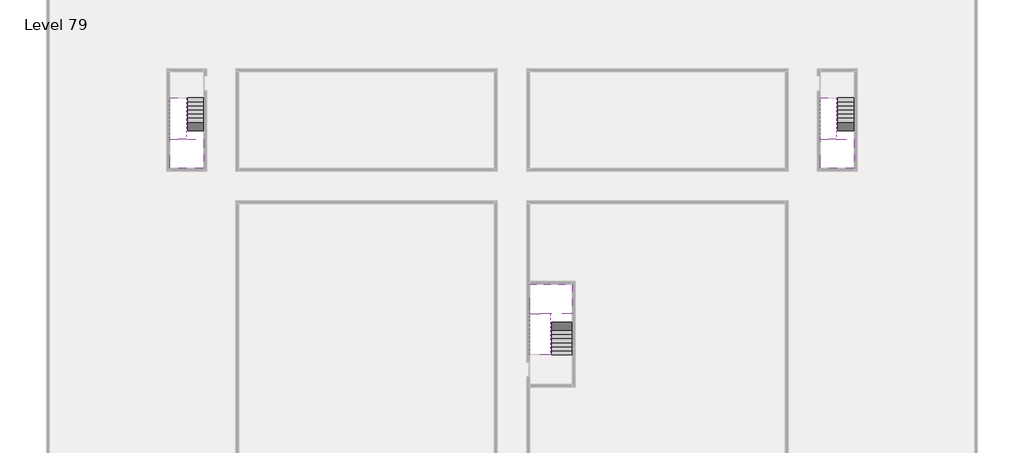
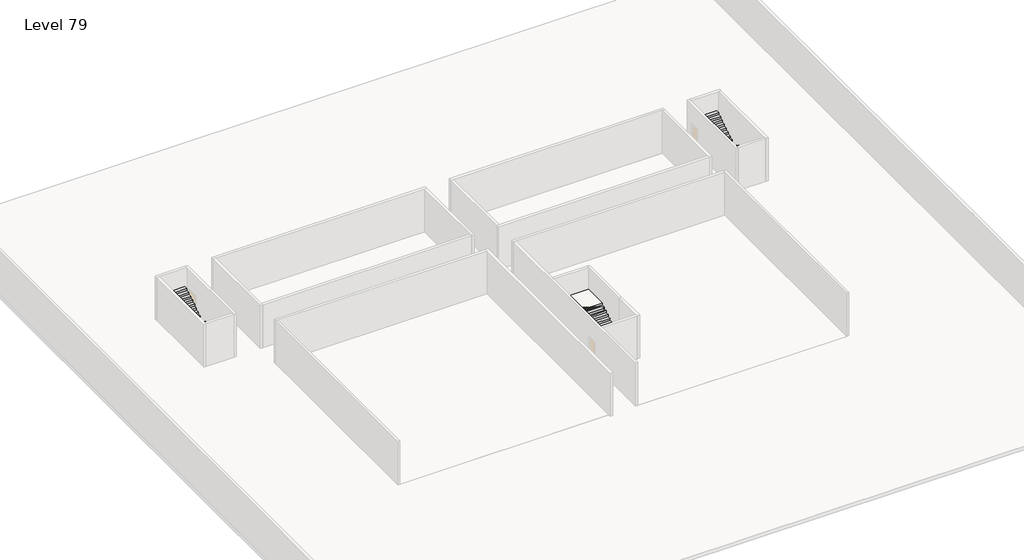
# One storey, part 2 of 2: 6 stair flights, 3 slabs.
"""IFC4 building model written with IfcOpenShell, lengths in millimetres."""

from ifc_helpers import new_model, si_unit, origin, place, context, project, spatial, faceted_brep, element, save

model = new_model("IFC4")

# Units and contexts
model_context = context("Model", 3, world=origin())
ifc_project = project(units=[si_unit("LENGTHUNIT", "METRE", prefix="MILLI")], contexts=[model_context])

# Site, building, storey
site = spatial("IfcSite", under=ifc_project)
building = spatial("IfcBuilding", under=site)
storey = spatial("IfcBuildingStorey", under=building, Name="Level 79", Elevation=296400.0)

# Slabs
placement = place(None, origin())
element("IfcSlab", 1, at=placement, inside=storey, context=model_context, shape_type="Brep", body=[
    faceted_brep([(3190.1058784, -28518.09644, 298300.0), (2090.1058784, -28518.09644, 298300.0), (1990.1058784, -28518.09644, 298300.0), (890.1058784, -28518.09644, 298300.0), (890.1058784, -28718.7100038, 298300.0), (890.1058784, -30518.09644, 298300.0), (3190.1058784, -30518.09644, 298300.0), (3190.1058784, -28597.4828763, 298300.0), (3190.1058784, -28518.09644, 298127.2727273), (3190.1058784, -28518.09644, 297951.0278478), (2090.1058784, -28518.09644, 297951.0278478), (2090.1058784, -28518.09644, 298000.0), (1990.1058784, -28518.09644, 298000.0), (1990.1058784, -28518.09644, 298123.7551205), (890.1058784, -28518.09644, 298123.7551205), (890.1058784, -28718.7100038, 298000.0), (890.1058784, -30518.09644, 298000.0), (3190.1058784, -30518.09644, 298000.0), (3190.1058784, -28597.4828763, 298000.0), (1990.1058784, -28718.7100038, 298000.0), (2090.1058784, -28597.4828763, 298000.0)], [[[0, 1, 2, 3, 4, 5, 6, 7]], [[1, 0, 8, 9, 10, 11]], [[2, 1, 11, 12, 13]], [[3, 2, 13, 14]], [[3, 14, 15, 16, 5, 4]], [[6, 5, 16, 17]], [[9, 8, 0, 7, 6, 17, 18]], [[19, 12, 11, 20, 18, 17, 16, 15]], [[12, 19, 13]], [[18, 20, 10, 9]], [[20, 11, 10]], [[19, 15, 14, 13]]]),
])
element("IfcSlab", 2, at=placement, inside=storey, context=model_context, shape_type="Brep", body=[
    faceted_brep([(47490.1058784, -28518.09644, 298300.0), (46390.1058784, -28518.09644, 298300.0), (46290.1058784, -28518.09644, 298300.0), (45190.1058784, -28518.09644, 298300.0), (45190.1058784, -28718.7100038, 298300.0), (45190.1058784, -30518.09644, 298300.0), (47490.1058784, -30518.09644, 298300.0), (47490.1058784, -28597.4828763, 298300.0), (47490.1058784, -28518.09644, 298127.2727273), (47490.1058784, -28518.09644, 297951.0278478), (46390.1058784, -28518.09644, 297951.0278478), (46390.1058784, -28518.09644, 298000.0), (46290.1058784, -28518.09644, 298000.0), (46290.1058784, -28518.09644, 298123.7551205), (45190.1058784, -28518.09644, 298123.7551205), (45190.1058784, -28718.7100038, 298000.0), (45190.1058784, -30518.09644, 298000.0), (47490.1058784, -30518.09644, 298000.0), (47490.1058784, -28597.4828763, 298000.0), (46290.1058784, -28718.7100038, 298000.0), (46390.1058784, -28597.4828763, 298000.0)], [[[0, 1, 2, 3, 4, 5, 6, 7]], [[1, 0, 8, 9, 10, 11]], [[2, 1, 11, 12, 13]], [[3, 2, 13, 14]], [[3, 14, 15, 16, 5, 4]], [[6, 5, 16, 17]], [[9, 8, 0, 7, 6, 17, 18]], [[19, 12, 11, 20, 18, 17, 16, 15]], [[12, 19, 13]], [[18, 20, 10, 9]], [[20, 11, 10]], [[19, 15, 14, 13]]]),
])
element("IfcSlab", 3, at=placement, inside=storey, context=model_context, shape_type="Brep", body=[
    faceted_brep([(26890.1058784, -40418.09644, 298300.0), (28290.1058784, -40418.09644, 298300.0), (28290.1058784, -40338.7100038, 298300.0), (28290.1058784, -38418.09644, 298300.0), (25390.1058784, -38418.09644, 298300.0), (25390.1058784, -40217.4828763, 298300.0), (25390.1058784, -40418.09644, 298300.0), (26790.1058784, -40418.09644, 298300.0), (26890.1058784, -40418.09644, 298000.0), (26890.1058784, -40418.09644, 297951.0278478), (28290.1058784, -40418.09644, 297951.0278478), (28290.1058784, -40418.09644, 298127.2727273), (28290.1058784, -40338.7100038, 298000.0), (28290.1058784, -38418.09644, 298000.0), (25390.1058784, -38418.09644, 298000.0), (25390.1058784, -40217.4828763, 298000.0), (25390.1058784, -40418.09644, 298123.7551205), (26790.1058784, -40418.09644, 298123.7551205), (26790.1058784, -40418.09644, 298000.0), (26790.1058784, -40217.4828763, 298000.0), (26890.1058784, -40338.7100038, 298000.0)], [[[0, 1, 2, 3, 4, 5, 6, 7]], [[1, 0, 8, 9, 10, 11]], [[1, 11, 10, 12, 13, 3, 2]], [[4, 3, 13, 14]], [[4, 14, 15, 16, 6, 5]], [[7, 6, 16, 17]], [[0, 7, 17, 18, 8]], [[18, 19, 15, 14, 13, 12, 20, 8]], [[19, 18, 17]], [[20, 12, 10, 9]], [[8, 20, 9]], [[15, 19, 17, 16]]]),
])

# Stair flights
element("IfcStairFlight", 4, at=placement, inside=storey, context=model_context, shape_type="Brep", body=[
    faceted_brep([(3190.1058784, -25998.09644, 296572.7272727), (3190.1058784, -25718.09644, 296572.7272727), (2090.1058784, -25718.09644, 296572.7272727), (2090.1058784, -25998.09644, 296572.7272727), (3190.1058784, -25998.09644, 296400.0), (3190.1058784, -25718.09644, 296400.0), (2090.1058784, -25718.09644, 296400.0), (2090.1058784, -25998.09644, 296400.0), (3190.1058784, -26278.09644, 296745.4545455), (3190.1058784, -25998.09644, 296745.4545455), (2090.1058784, -25998.09644, 296745.4545455), (2090.1058784, -26278.09644, 296745.4545455), (3190.1058784, -26278.09644, 296569.209666), (3190.1058784, -26003.7986657, 296400.0), (2090.1058784, -26003.7986657, 296400.0), (2090.1058784, -26278.09644, 296569.209666), (3190.1058784, -26558.09644, 296918.1818182), (3190.1058784, -26278.09644, 296918.1818182), (2090.1058784, -26278.09644, 296918.1818182), (2090.1058784, -26558.09644, 296918.1818182), (3190.1058784, -26558.09644, 296741.9369387), (2090.1058784, -26558.09644, 296741.9369387), (3190.1058784, -26838.09644, 297090.9090909), (3190.1058784, -26558.09644, 297090.9090909), (2090.1058784, -26558.09644, 297090.9090909), (2090.1058784, -26838.09644, 297090.9090909), (3190.1058784, -26838.09644, 296914.6642114), (2090.1058784, -26838.09644, 296914.6642114), (3190.1058784, -27118.09644, 297263.6363636), (3190.1058784, -26838.09644, 297263.6363636), (2090.1058784, -26838.09644, 297263.6363636), (2090.1058784, -27118.09644, 297263.6363636), (3190.1058784, -27118.09644, 297087.3914841), (2090.1058784, -27118.09644, 297087.3914841), (3190.1058784, -27398.09644, 297436.3636364), (3190.1058784, -27118.09644, 297436.3636364), (2090.1058784, -27118.09644, 297436.3636364), (2090.1058784, -27398.09644, 297436.3636364), (3190.1058784, -27398.09644, 297260.1187569), (2090.1058784, -27398.09644, 297260.1187569), (3190.1058784, -27678.09644, 297609.0909091), (3190.1058784, -27398.09644, 297609.0909091), (2090.1058784, -27398.09644, 297609.0909091), (2090.1058784, -27678.09644, 297609.0909091), (3190.1058784, -27678.09644, 297432.8460296), (2090.1058784, -27678.09644, 297432.8460296), (3190.1058784, -27958.09644, 297781.8181818), (3190.1058784, -27678.09644, 297781.8181818), (2090.1058784, -27678.09644, 297781.8181818), (2090.1058784, -27958.09644, 297781.8181818), (3190.1058784, -27958.09644, 297605.5733023), (2090.1058784, -27958.09644, 297605.5733023), (3190.1058784, -28238.09644, 297954.5454545), (3190.1058784, -27958.09644, 297954.5454545), (2090.1058784, -27958.09644, 297954.5454545), (2090.1058784, -28238.09644, 297954.5454545), (3190.1058784, -28238.09644, 297778.3005751), (2090.1058784, -28238.09644, 297778.3005751), (3190.1058784, -28518.09644, 298127.2727273), (3190.1058784, -28238.09644, 298127.2727273), (2090.1058784, -28238.09644, 298127.2727273), (2090.1058784, -28518.09644, 298127.2727273), (3190.1058784, -28518.09644, 297951.0278478), (2090.1058784, -28518.09644, 297951.0278478), (2090.1058784, -28518.09644, 298000.0)], [[[0, 1, 2, 3]], [[1, 0, 4, 5]], [[2, 1, 5, 6]], [[3, 2, 6, 7]], [[8, 9, 10, 11]], [[4, 0, 9, 8, 12, 13]], [[0, 3, 10, 9]], [[3, 7, 14, 15, 11, 10]], [[16, 17, 18, 19]], [[17, 16, 20, 12, 8]], [[8, 11, 18, 17]], [[19, 18, 11, 15, 21]], [[22, 23, 24, 25]], [[23, 22, 26, 20, 16]], [[16, 19, 24, 23]], [[25, 24, 19, 21, 27]], [[28, 29, 30, 31]], [[29, 28, 32, 26, 22]], [[22, 25, 30, 29]], [[31, 30, 25, 27, 33]], [[34, 35, 36, 37]], [[35, 34, 38, 32, 28]], [[28, 31, 36, 35]], [[37, 36, 31, 33, 39]], [[40, 41, 42, 43]], [[41, 40, 44, 38, 34]], [[34, 37, 42, 41]], [[43, 42, 37, 39, 45]], [[46, 47, 48, 49]], [[47, 46, 50, 44, 40]], [[40, 43, 48, 47]], [[49, 48, 43, 45, 51]], [[52, 53, 54, 55]], [[53, 52, 56, 50, 46]], [[46, 49, 54, 53]], [[55, 54, 49, 51, 57]], [[58, 59, 60, 61]], [[59, 58, 62, 56, 52]], [[52, 55, 60, 59]], [[61, 60, 55, 57, 63, 64]], [[58, 61, 64, 63, 62]], [[5, 4, 13, 14, 7, 6]], [[14, 13, 12, 20, 26, 32, 38, 44, 50, 56, 62, 63, 57, 51, 45, 39, 33, 27, 21, 15]]]),
])
element("IfcStairFlight", 5, at=placement, inside=storey, context=model_context, shape_type="Brep", body=[
    faceted_brep([(890.1058784, -28238.09644, 298472.7272727), (890.1058784, -28518.09644, 298472.7272727), (1990.1058784, -28518.09644, 298472.7272727), (1990.1058784, -28238.09644, 298472.7272727), (890.1058784, -28238.09644, 298296.4823932), (890.1058784, -28518.09644, 298123.7551205), (890.1058784, -28518.09644, 298300.0), (1990.1058784, -28518.09644, 298123.7551205), (1990.1058784, -28238.09644, 298296.4823932), (890.1058784, -27958.09644, 298645.4545455), (890.1058784, -28238.09644, 298645.4545455), (1990.1058784, -28238.09644, 298645.4545455), (1990.1058784, -27958.09644, 298645.4545455), (890.1058784, -27958.09644, 298469.209666), (1990.1058784, -27958.09644, 298469.209666), (890.1058784, -27678.09644, 298818.1818182), (890.1058784, -27958.09644, 298818.1818182), (1990.1058784, -27958.09644, 298818.1818182), (1990.1058784, -27678.09644, 298818.1818182), (890.1058784, -27678.09644, 298641.9369387), (1990.1058784, -27678.09644, 298641.9369387), (890.1058784, -27398.09644, 298990.9090909), (890.1058784, -27678.09644, 298990.9090909), (1990.1058784, -27678.09644, 298990.9090909), (1990.1058784, -27398.09644, 298990.9090909), (890.1058784, -27398.09644, 298814.6642114), (1990.1058784, -27398.09644, 298814.6642114), (890.1058784, -27118.09644, 299163.6363636), (890.1058784, -27398.09644, 299163.6363636), (1990.1058784, -27398.09644, 299163.6363636), (1990.1058784, -27118.09644, 299163.6363636), (890.1058784, -27118.09644, 298987.3914841), (1990.1058784, -27118.09644, 298987.3914841), (890.1058784, -26838.09644, 299336.3636364), (890.1058784, -27118.09644, 299336.3636364), (1990.1058784, -27118.09644, 299336.3636364), (1990.1058784, -26838.09644, 299336.3636364), (890.1058784, -26838.09644, 299160.1187569), (1990.1058784, -26838.09644, 299160.1187569), (890.1058784, -26558.09644, 299509.0909091), (890.1058784, -26838.09644, 299509.0909091), (1990.1058784, -26838.09644, 299509.0909091), (1990.1058784, -26558.09644, 299509.0909091), (890.1058784, -26558.09644, 299332.8460296), (1990.1058784, -26558.09644, 299332.8460296), (890.1058784, -26278.09644, 299681.8181818), (890.1058784, -26558.09644, 299681.8181818), (1990.1058784, -26558.09644, 299681.8181818), (1990.1058784, -26278.09644, 299681.8181818), (890.1058784, -26278.09644, 299505.5733023), (1990.1058784, -26278.09644, 299505.5733023), (890.1058784, -25998.09644, 299854.5454545), (890.1058784, -26278.09644, 299854.5454545), (1990.1058784, -26278.09644, 299854.5454545), (1990.1058784, -25998.09644, 299854.5454545), (890.1058784, -25998.09644, 299678.3005751), (1990.1058784, -25998.09644, 299678.3005751), (890.1058784, -25718.09644, 300027.2727273), (890.1058784, -25998.09644, 300027.2727273), (1990.1058784, -25998.09644, 300027.2727273), (1990.1058784, -25718.09644, 300027.2727273), (890.1058784, -25718.09644, 299851.0278478), (1990.1058784, -25718.09644, 299851.0278478)], [[[0, 1, 2, 3]], [[1, 0, 4, 5, 6]], [[2, 1, 6, 5, 7]], [[3, 2, 7, 8]], [[9, 10, 11, 12]], [[10, 9, 13, 4, 0]], [[11, 10, 0, 3]], [[12, 11, 3, 8, 14]], [[15, 16, 17, 18]], [[16, 15, 19, 13, 9]], [[17, 16, 9, 12]], [[18, 17, 12, 14, 20]], [[21, 22, 23, 24]], [[22, 21, 25, 19, 15]], [[23, 22, 15, 18]], [[24, 23, 18, 20, 26]], [[27, 28, 29, 30]], [[28, 27, 31, 25, 21]], [[29, 28, 21, 24]], [[30, 29, 24, 26, 32]], [[33, 34, 35, 36]], [[34, 33, 37, 31, 27]], [[35, 34, 27, 30]], [[36, 35, 30, 32, 38]], [[39, 40, 41, 42]], [[40, 39, 43, 37, 33]], [[41, 40, 33, 36]], [[42, 41, 36, 38, 44]], [[45, 46, 47, 48]], [[46, 45, 49, 43, 39]], [[47, 46, 39, 42]], [[48, 47, 42, 44, 50]], [[51, 52, 53, 54]], [[52, 51, 55, 49, 45]], [[53, 52, 45, 48]], [[54, 53, 48, 50, 56]], [[57, 58, 59, 60]], [[58, 57, 61, 55, 51]], [[59, 58, 51, 54]], [[60, 59, 54, 56, 62]], [[57, 60, 62, 61]], [[5, 4, 13, 19, 25, 31, 37, 43, 49, 55, 61, 62, 56, 50, 44, 38, 32, 26, 20, 14, 8, 7]]]),
])
element("IfcStairFlight", 6, at=placement, inside=storey, context=model_context, shape_type="Brep", body=[
    faceted_brep([(47490.1058784, -25998.09644, 296572.7272727), (47490.1058784, -25718.09644, 296572.7272727), (46390.1058784, -25718.09644, 296572.7272727), (46390.1058784, -25998.09644, 296572.7272727), (47490.1058784, -25998.09644, 296400.0), (47490.1058784, -25718.09644, 296400.0), (46390.1058784, -25718.09644, 296400.0), (46390.1058784, -25998.09644, 296400.0), (47490.1058784, -26278.09644, 296745.4545455), (47490.1058784, -25998.09644, 296745.4545455), (46390.1058784, -25998.09644, 296745.4545455), (46390.1058784, -26278.09644, 296745.4545455), (47490.1058784, -26278.09644, 296569.209666), (47490.1058784, -26003.7986657, 296400.0), (46390.1058784, -26003.7986657, 296400.0), (46390.1058784, -26278.09644, 296569.209666), (47490.1058784, -26558.09644, 296918.1818182), (47490.1058784, -26278.09644, 296918.1818182), (46390.1058784, -26278.09644, 296918.1818182), (46390.1058784, -26558.09644, 296918.1818182), (47490.1058784, -26558.09644, 296741.9369387), (46390.1058784, -26558.09644, 296741.9369387), (47490.1058784, -26838.09644, 297090.9090909), (47490.1058784, -26558.09644, 297090.9090909), (46390.1058784, -26558.09644, 297090.9090909), (46390.1058784, -26838.09644, 297090.9090909), (47490.1058784, -26838.09644, 296914.6642114), (46390.1058784, -26838.09644, 296914.6642114), (47490.1058784, -27118.09644, 297263.6363636), (47490.1058784, -26838.09644, 297263.6363636), (46390.1058784, -26838.09644, 297263.6363636), (46390.1058784, -27118.09644, 297263.6363636), (47490.1058784, -27118.09644, 297087.3914841), (46390.1058784, -27118.09644, 297087.3914841), (47490.1058784, -27398.09644, 297436.3636364), (47490.1058784, -27118.09644, 297436.3636364), (46390.1058784, -27118.09644, 297436.3636364), (46390.1058784, -27398.09644, 297436.3636364), (47490.1058784, -27398.09644, 297260.1187569), (46390.1058784, -27398.09644, 297260.1187569), (47490.1058784, -27678.09644, 297609.0909091), (47490.1058784, -27398.09644, 297609.0909091), (46390.1058784, -27398.09644, 297609.0909091), (46390.1058784, -27678.09644, 297609.0909091), (47490.1058784, -27678.09644, 297432.8460296), (46390.1058784, -27678.09644, 297432.8460296), (47490.1058784, -27958.09644, 297781.8181818), (47490.1058784, -27678.09644, 297781.8181818), (46390.1058784, -27678.09644, 297781.8181818), (46390.1058784, -27958.09644, 297781.8181818), (47490.1058784, -27958.09644, 297605.5733023), (46390.1058784, -27958.09644, 297605.5733023), (47490.1058784, -28238.09644, 297954.5454545), (47490.1058784, -27958.09644, 297954.5454545), (46390.1058784, -27958.09644, 297954.5454545), (46390.1058784, -28238.09644, 297954.5454545), (47490.1058784, -28238.09644, 297778.3005751), (46390.1058784, -28238.09644, 297778.3005751), (47490.1058784, -28518.09644, 298127.2727273), (47490.1058784, -28238.09644, 298127.2727273), (46390.1058784, -28238.09644, 298127.2727273), (46390.1058784, -28518.09644, 298127.2727273), (47490.1058784, -28518.09644, 297951.0278478), (46390.1058784, -28518.09644, 297951.0278478), (46390.1058784, -28518.09644, 298000.0)], [[[0, 1, 2, 3]], [[1, 0, 4, 5]], [[2, 1, 5, 6]], [[3, 2, 6, 7]], [[8, 9, 10, 11]], [[4, 0, 9, 8, 12, 13]], [[0, 3, 10, 9]], [[3, 7, 14, 15, 11, 10]], [[16, 17, 18, 19]], [[17, 16, 20, 12, 8]], [[8, 11, 18, 17]], [[19, 18, 11, 15, 21]], [[22, 23, 24, 25]], [[23, 22, 26, 20, 16]], [[16, 19, 24, 23]], [[25, 24, 19, 21, 27]], [[28, 29, 30, 31]], [[29, 28, 32, 26, 22]], [[22, 25, 30, 29]], [[31, 30, 25, 27, 33]], [[34, 35, 36, 37]], [[35, 34, 38, 32, 28]], [[28, 31, 36, 35]], [[37, 36, 31, 33, 39]], [[40, 41, 42, 43]], [[41, 40, 44, 38, 34]], [[34, 37, 42, 41]], [[43, 42, 37, 39, 45]], [[46, 47, 48, 49]], [[47, 46, 50, 44, 40]], [[40, 43, 48, 47]], [[49, 48, 43, 45, 51]], [[52, 53, 54, 55]], [[53, 52, 56, 50, 46]], [[46, 49, 54, 53]], [[55, 54, 49, 51, 57]], [[58, 59, 60, 61]], [[59, 58, 62, 56, 52]], [[52, 55, 60, 59]], [[61, 60, 55, 57, 63, 64]], [[58, 61, 64, 63, 62]], [[5, 4, 13, 14, 7, 6]], [[14, 13, 12, 20, 26, 32, 38, 44, 50, 56, 62, 63, 57, 51, 45, 39, 33, 27, 21, 15]]]),
])
element("IfcStairFlight", 7, at=placement, inside=storey, context=model_context, shape_type="Brep", body=[
    faceted_brep([(45190.1058784, -28238.09644, 298472.7272727), (45190.1058784, -28518.09644, 298472.7272727), (46290.1058784, -28518.09644, 298472.7272727), (46290.1058784, -28238.09644, 298472.7272727), (45190.1058784, -28238.09644, 298296.4823932), (45190.1058784, -28518.09644, 298123.7551205), (45190.1058784, -28518.09644, 298300.0), (46290.1058784, -28518.09644, 298123.7551205), (46290.1058784, -28238.09644, 298296.4823932), (45190.1058784, -27958.09644, 298645.4545455), (45190.1058784, -28238.09644, 298645.4545455), (46290.1058784, -28238.09644, 298645.4545455), (46290.1058784, -27958.09644, 298645.4545455), (45190.1058784, -27958.09644, 298469.209666), (46290.1058784, -27958.09644, 298469.209666), (45190.1058784, -27678.09644, 298818.1818182), (45190.1058784, -27958.09644, 298818.1818182), (46290.1058784, -27958.09644, 298818.1818182), (46290.1058784, -27678.09644, 298818.1818182), (45190.1058784, -27678.09644, 298641.9369387), (46290.1058784, -27678.09644, 298641.9369387), (45190.1058784, -27398.09644, 298990.9090909), (45190.1058784, -27678.09644, 298990.9090909), (46290.1058784, -27678.09644, 298990.9090909), (46290.1058784, -27398.09644, 298990.9090909), (45190.1058784, -27398.09644, 298814.6642114), (46290.1058784, -27398.09644, 298814.6642114), (45190.1058784, -27118.09644, 299163.6363636), (45190.1058784, -27398.09644, 299163.6363636), (46290.1058784, -27398.09644, 299163.6363636), (46290.1058784, -27118.09644, 299163.6363636), (45190.1058784, -27118.09644, 298987.3914841), (46290.1058784, -27118.09644, 298987.3914841), (45190.1058784, -26838.09644, 299336.3636364), (45190.1058784, -27118.09644, 299336.3636364), (46290.1058784, -27118.09644, 299336.3636364), (46290.1058784, -26838.09644, 299336.3636364), (45190.1058784, -26838.09644, 299160.1187569), (46290.1058784, -26838.09644, 299160.1187569), (45190.1058784, -26558.09644, 299509.0909091), (45190.1058784, -26838.09644, 299509.0909091), (46290.1058784, -26838.09644, 299509.0909091), (46290.1058784, -26558.09644, 299509.0909091), (45190.1058784, -26558.09644, 299332.8460296), (46290.1058784, -26558.09644, 299332.8460296), (45190.1058784, -26278.09644, 299681.8181818), (45190.1058784, -26558.09644, 299681.8181818), (46290.1058784, -26558.09644, 299681.8181818), (46290.1058784, -26278.09644, 299681.8181818), (45190.1058784, -26278.09644, 299505.5733023), (46290.1058784, -26278.09644, 299505.5733023), (45190.1058784, -25998.09644, 299854.5454545), (45190.1058784, -26278.09644, 299854.5454545), (46290.1058784, -26278.09644, 299854.5454545), (46290.1058784, -25998.09644, 299854.5454545), (45190.1058784, -25998.09644, 299678.3005751), (46290.1058784, -25998.09644, 299678.3005751), (45190.1058784, -25718.09644, 300027.2727273), (45190.1058784, -25998.09644, 300027.2727273), (46290.1058784, -25998.09644, 300027.2727273), (46290.1058784, -25718.09644, 300027.2727273), (45190.1058784, -25718.09644, 299851.0278478), (46290.1058784, -25718.09644, 299851.0278478)], [[[0, 1, 2, 3]], [[1, 0, 4, 5, 6]], [[2, 1, 6, 5, 7]], [[3, 2, 7, 8]], [[9, 10, 11, 12]], [[10, 9, 13, 4, 0]], [[11, 10, 0, 3]], [[12, 11, 3, 8, 14]], [[15, 16, 17, 18]], [[16, 15, 19, 13, 9]], [[17, 16, 9, 12]], [[18, 17, 12, 14, 20]], [[21, 22, 23, 24]], [[22, 21, 25, 19, 15]], [[23, 22, 15, 18]], [[24, 23, 18, 20, 26]], [[27, 28, 29, 30]], [[28, 27, 31, 25, 21]], [[29, 28, 21, 24]], [[30, 29, 24, 26, 32]], [[33, 34, 35, 36]], [[34, 33, 37, 31, 27]], [[35, 34, 27, 30]], [[36, 35, 30, 32, 38]], [[39, 40, 41, 42]], [[40, 39, 43, 37, 33]], [[41, 40, 33, 36]], [[42, 41, 36, 38, 44]], [[45, 46, 47, 48]], [[46, 45, 49, 43, 39]], [[47, 46, 39, 42]], [[48, 47, 42, 44, 50]], [[51, 52, 53, 54]], [[52, 51, 55, 49, 45]], [[53, 52, 45, 48]], [[54, 53, 48, 50, 56]], [[57, 58, 59, 60]], [[58, 57, 61, 55, 51]], [[59, 58, 51, 54]], [[60, 59, 54, 56, 62]], [[57, 60, 62, 61]], [[5, 4, 13, 19, 25, 31, 37, 43, 49, 55, 61, 62, 56, 50, 44, 38, 32, 26, 20, 14, 8, 7]]]),
])
element("IfcStairFlight", 8, at=placement, inside=storey, context=model_context, shape_type="Brep", body=[
    faceted_brep([(26890.1058784, -42938.09644, 296572.7272727), (26890.1058784, -43218.09644, 296572.7272727), (28290.1058784, -43218.09644, 296572.7272727), (28290.1058784, -42938.09644, 296572.7272727), (26890.1058784, -42938.09644, 296400.0), (26890.1058784, -43218.09644, 296400.0), (28290.1058784, -43218.09644, 296400.0), (28290.1058784, -42938.09644, 296400.0), (26890.1058784, -42658.09644, 296745.4545455), (26890.1058784, -42938.09644, 296745.4545455), (28290.1058784, -42938.09644, 296745.4545455), (28290.1058784, -42658.09644, 296745.4545455), (26890.1058784, -42658.09644, 296569.209666), (26890.1058784, -42932.3942143, 296400.0), (28290.1058784, -42932.3942143, 296400.0), (28290.1058784, -42658.09644, 296569.209666), (26890.1058784, -42378.09644, 296918.1818182), (26890.1058784, -42658.09644, 296918.1818182), (28290.1058784, -42658.09644, 296918.1818182), (28290.1058784, -42378.09644, 296918.1818182), (26890.1058784, -42378.09644, 296741.9369387), (28290.1058784, -42378.09644, 296741.9369387), (26890.1058784, -42098.09644, 297090.9090909), (26890.1058784, -42378.09644, 297090.9090909), (28290.1058784, -42378.09644, 297090.9090909), (28290.1058784, -42098.09644, 297090.9090909), (26890.1058784, -42098.09644, 296914.6642114), (28290.1058784, -42098.09644, 296914.6642114), (26890.1058784, -41818.09644, 297263.6363636), (26890.1058784, -42098.09644, 297263.6363636), (28290.1058784, -42098.09644, 297263.6363636), (28290.1058784, -41818.09644, 297263.6363636), (26890.1058784, -41818.09644, 297087.3914841), (28290.1058784, -41818.09644, 297087.3914841), (26890.1058784, -41538.09644, 297436.3636364), (26890.1058784, -41818.09644, 297436.3636364), (28290.1058784, -41818.09644, 297436.3636364), (28290.1058784, -41538.09644, 297436.3636364), (26890.1058784, -41538.09644, 297260.1187569), (28290.1058784, -41538.09644, 297260.1187569), (26890.1058784, -41258.09644, 297609.0909091), (26890.1058784, -41538.09644, 297609.0909091), (28290.1058784, -41538.09644, 297609.0909091), (28290.1058784, -41258.09644, 297609.0909091), (26890.1058784, -41258.09644, 297432.8460296), (28290.1058784, -41258.09644, 297432.8460296), (26890.1058784, -40978.09644, 297781.8181818), (26890.1058784, -41258.09644, 297781.8181818), (28290.1058784, -41258.09644, 297781.8181818), (28290.1058784, -40978.09644, 297781.8181818), (26890.1058784, -40978.09644, 297605.5733023), (28290.1058784, -40978.09644, 297605.5733023), (26890.1058784, -40698.09644, 297954.5454545), (26890.1058784, -40978.09644, 297954.5454545), (28290.1058784, -40978.09644, 297954.5454545), (28290.1058784, -40698.09644, 297954.5454545), (26890.1058784, -40698.09644, 297778.3005751), (28290.1058784, -40698.09644, 297778.3005751), (26890.1058784, -40418.09644, 298127.2727273), (26890.1058784, -40698.09644, 298127.2727273), (28290.1058784, -40698.09644, 298127.2727273), (28290.1058784, -40418.09644, 298127.2727273), (26890.1058784, -40418.09644, 298000.0), (26890.1058784, -40418.09644, 297951.0278478), (28290.1058784, -40418.09644, 297951.0278478)], [[[0, 1, 2, 3]], [[1, 0, 4, 5]], [[2, 1, 5, 6]], [[3, 2, 6, 7]], [[8, 9, 10, 11]], [[4, 0, 9, 8, 12, 13]], [[0, 3, 10, 9]], [[3, 7, 14, 15, 11, 10]], [[16, 17, 18, 19]], [[17, 16, 20, 12, 8]], [[8, 11, 18, 17]], [[19, 18, 11, 15, 21]], [[22, 23, 24, 25]], [[23, 22, 26, 20, 16]], [[16, 19, 24, 23]], [[25, 24, 19, 21, 27]], [[28, 29, 30, 31]], [[29, 28, 32, 26, 22]], [[22, 25, 30, 29]], [[31, 30, 25, 27, 33]], [[34, 35, 36, 37]], [[35, 34, 38, 32, 28]], [[28, 31, 36, 35]], [[37, 36, 31, 33, 39]], [[40, 41, 42, 43]], [[41, 40, 44, 38, 34]], [[34, 37, 42, 41]], [[43, 42, 37, 39, 45]], [[46, 47, 48, 49]], [[47, 46, 50, 44, 40]], [[40, 43, 48, 47]], [[49, 48, 43, 45, 51]], [[52, 53, 54, 55]], [[53, 52, 56, 50, 46]], [[46, 49, 54, 53]], [[55, 54, 49, 51, 57]], [[58, 59, 60, 61]], [[59, 58, 62, 63, 56, 52]], [[52, 55, 60, 59]], [[61, 60, 55, 57, 64]], [[58, 61, 64, 63, 62]], [[5, 4, 13, 14, 7, 6]], [[14, 13, 12, 20, 26, 32, 38, 44, 50, 56, 63, 64, 57, 51, 45, 39, 33, 27, 21, 15]]]),
])
element("IfcStairFlight", 9, at=placement, inside=storey, context=model_context, shape_type="Brep", body=[
    faceted_brep([(26790.1058784, -40698.09644, 298472.7272727), (26790.1058784, -40418.09644, 298472.7272727), (25390.1058784, -40418.09644, 298472.7272727), (25390.1058784, -40698.09644, 298472.7272727), (26790.1058784, -40698.09644, 298296.4823932), (26790.1058784, -40418.09644, 298123.7551205), (25390.1058784, -40418.09644, 298123.7551205), (25390.1058784, -40418.09644, 298300.0), (25390.1058784, -40698.09644, 298296.4823932), (26790.1058784, -40978.09644, 298645.4545455), (26790.1058784, -40698.09644, 298645.4545455), (25390.1058784, -40698.09644, 298645.4545455), (25390.1058784, -40978.09644, 298645.4545455), (26790.1058784, -40978.09644, 298469.209666), (25390.1058784, -40978.09644, 298469.209666), (26790.1058784, -41258.09644, 298818.1818182), (26790.1058784, -40978.09644, 298818.1818182), (25390.1058784, -40978.09644, 298818.1818182), (25390.1058784, -41258.09644, 298818.1818182), (26790.1058784, -41258.09644, 298641.9369387), (25390.1058784, -41258.09644, 298641.9369387), (26790.1058784, -41538.09644, 298990.9090909), (26790.1058784, -41258.09644, 298990.9090909), (25390.1058784, -41258.09644, 298990.9090909), (25390.1058784, -41538.09644, 298990.9090909), (26790.1058784, -41538.09644, 298814.6642114), (25390.1058784, -41538.09644, 298814.6642114), (26790.1058784, -41818.09644, 299163.6363636), (26790.1058784, -41538.09644, 299163.6363636), (25390.1058784, -41538.09644, 299163.6363636), (25390.1058784, -41818.09644, 299163.6363636), (26790.1058784, -41818.09644, 298987.3914841), (25390.1058784, -41818.09644, 298987.3914841), (26790.1058784, -42098.09644, 299336.3636364), (26790.1058784, -41818.09644, 299336.3636364), (25390.1058784, -41818.09644, 299336.3636364), (25390.1058784, -42098.09644, 299336.3636364), (26790.1058784, -42098.09644, 299160.1187569), (25390.1058784, -42098.09644, 299160.1187569), (26790.1058784, -42378.09644, 299509.0909091), (26790.1058784, -42098.09644, 299509.0909091), (25390.1058784, -42098.09644, 299509.0909091), (25390.1058784, -42378.09644, 299509.0909091), (26790.1058784, -42378.09644, 299332.8460296), (25390.1058784, -42378.09644, 299332.8460296), (26790.1058784, -42658.09644, 299681.8181818), (26790.1058784, -42378.09644, 299681.8181818), (25390.1058784, -42378.09644, 299681.8181818), (25390.1058784, -42658.09644, 299681.8181818), (26790.1058784, -42658.09644, 299505.5733023), (25390.1058784, -42658.09644, 299505.5733023), (26790.1058784, -42938.09644, 299854.5454545), (26790.1058784, -42658.09644, 299854.5454545), (25390.1058784, -42658.09644, 299854.5454545), (25390.1058784, -42938.09644, 299854.5454545), (26790.1058784, -42938.09644, 299678.3005751), (25390.1058784, -42938.09644, 299678.3005751), (26790.1058784, -43218.09644, 300027.2727273), (26790.1058784, -42938.09644, 300027.2727273), (25390.1058784, -42938.09644, 300027.2727273), (25390.1058784, -43218.09644, 300027.2727273), (26790.1058784, -43218.09644, 299851.0278478), (25390.1058784, -43218.09644, 299851.0278478)], [[[0, 1, 2, 3]], [[1, 0, 4, 5]], [[2, 1, 5, 6, 7]], [[3, 2, 7, 6, 8]], [[9, 10, 11, 12]], [[10, 9, 13, 4, 0]], [[11, 10, 0, 3]], [[12, 11, 3, 8, 14]], [[15, 16, 17, 18]], [[16, 15, 19, 13, 9]], [[17, 16, 9, 12]], [[18, 17, 12, 14, 20]], [[21, 22, 23, 24]], [[22, 21, 25, 19, 15]], [[23, 22, 15, 18]], [[24, 23, 18, 20, 26]], [[27, 28, 29, 30]], [[28, 27, 31, 25, 21]], [[29, 28, 21, 24]], [[30, 29, 24, 26, 32]], [[33, 34, 35, 36]], [[34, 33, 37, 31, 27]], [[35, 34, 27, 30]], [[36, 35, 30, 32, 38]], [[39, 40, 41, 42]], [[40, 39, 43, 37, 33]], [[41, 40, 33, 36]], [[42, 41, 36, 38, 44]], [[45, 46, 47, 48]], [[46, 45, 49, 43, 39]], [[47, 46, 39, 42]], [[48, 47, 42, 44, 50]], [[51, 52, 53, 54]], [[52, 51, 55, 49, 45]], [[53, 52, 45, 48]], [[54, 53, 48, 50, 56]], [[57, 58, 59, 60]], [[58, 57, 61, 55, 51]], [[59, 58, 51, 54]], [[60, 59, 54, 56, 62]], [[57, 60, 62, 61]], [[5, 4, 13, 19, 25, 31, 37, 43, 49, 55, 61, 62, 56, 50, 44, 38, 32, 26, 20, 14, 8, 6]]]),
])

save(model, "model.ifc")
